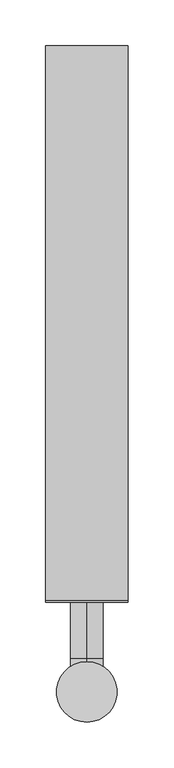
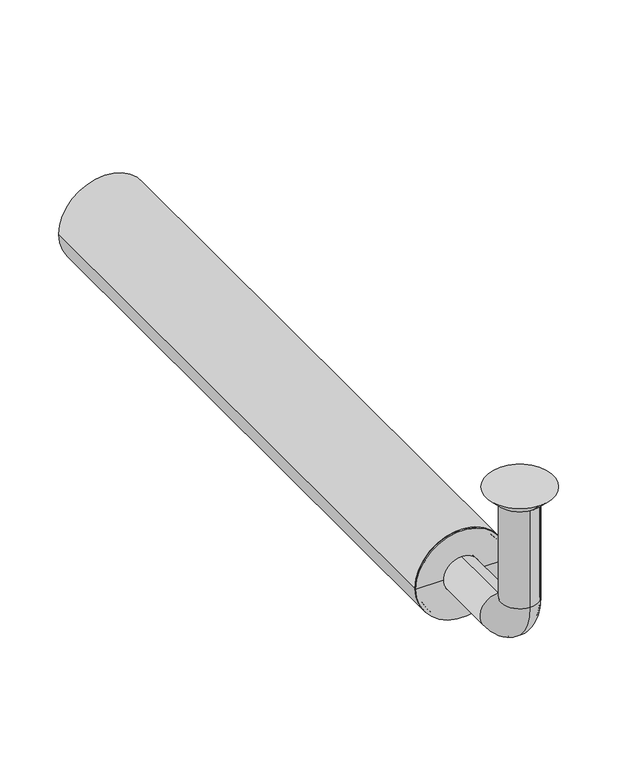
"""IFC4 building model written with IfcOpenShell, lengths in millimetres: beam geometry."""

from ifc_helpers import new_model, si_unit, point, frame, frame_2d, origin, place, context, project, spatial, polyline, circle_curve, ellipse_curve, trimmed, segment, composite_curve, outline, extrude, source, transform, mapped, element, save
from ifc_brep_helpers import plane_surface, cylinder_surface, revolved_surface, advanced_brep


def beam_f0ced41f(model_context):
    return source(origin(), model_context, "Body", "SolidModel", [
        extrude(outline(composite_curve([segment(trimmed(circle_curve(frame_2d((-150.0, 0.0)), 45.0), [point((-150.0, 45.0))], [point((-150.0, -45.0))], False, "CARTESIAN"), True, "CONTINUOUS"), segment(trimmed(circle_curve(frame_2d((-150.0, 0.0)), 45.0), [point((-150.0, -45.0))], [point((-150.0, 45.0))], False, "CARTESIAN"), True, "CONTINUOUS")], self_intersect=False), holes=[composite_curve([segment(trimmed(circle_curve(frame_2d((-150.0, 0.0)), 42.0), [point((-150.0, 42.0))], [point((-150.0, -42.0))], True, "CARTESIAN"), True, "CONTINUOUS"), segment(trimmed(circle_curve(frame_2d((-150.0, 0.0)), 42.0), [point((-150.0, -42.0))], [point((-150.0, 42.0))], True, "CARTESIAN"), True, "CONTINUOUS")], self_intersect=False)]), frame((0.0, 100.0, 0.0), z_axis=(0.0, 1.0, 0.0), x_axis=(0.0, 0.0, 1.0)), (0.0, 0.0, 1.0), 605.0),
        advanced_brep(
        [(0.0, -18.0, -10.0), (0.0, 18.0, -10.0), (0.0, -17.0, -10.0), (0.0, 17.0, -10.0), (0.0, -18.0, -114.0), (0.0, 18.0, -114.0), (0.0, -17.0, -114.0), (0.0, 17.0, -114.0), (0.0, 36.0, -132.0), (0.0, 36.0, -168.0), (0.0, 36.0, -133.0), (0.0, 36.0, -167.0), (0.0, 123.0, -168.0), (0.0, 123.0, -132.0), (0.0, 123.0, -167.0), (0.0, 123.0, -133.0)],
        [
            (0, 1, circle_curve(frame((0.0, 0.0, -10.0), z_axis=(0.0, 0.0, 1.0), x_axis=(0.0, 1.0, 0.0)), 18.0)),
            (1, 0, circle_curve(frame((0.0, 0.0, -10.0), z_axis=(0.0, 0.0, 1.0), x_axis=(0.0, 1.0, 0.0)), 18.0)),
            (2, 3, circle_curve(frame((0.0, 0.0, -10.0), z_axis=(0.0, 0.0, -1.0), x_axis=(0.0, 1.0, 0.0)), 17.0)),
            (3, 2, circle_curve(frame((0.0, 0.0, -10.0), z_axis=(0.0, 0.0, -1.0), x_axis=(0.0, 1.0, 0.0)), 17.0)),
            (0, 4),
            (4, 5, circle_curve(frame((0.0, 0.0, -114.0), z_axis=(0.0, 0.0, 1.0), x_axis=(0.0, 1.0, 0.0)), 18.0)),
            (5, 1),
            (5, 4, circle_curve(frame((0.0, 0.0, -114.0), z_axis=(0.0, 0.0, 1.0), x_axis=(0.0, 1.0, 0.0)), 18.0)),
            (2, 6),
            (6, 7, circle_curve(frame((0.0, 0.0, -114.0), z_axis=(0.0, 0.0, -1.0), x_axis=(0.0, 1.0, 0.0)), 17.0)),
            (7, 3),
            (7, 6, circle_curve(frame((0.0, 0.0, -114.0), z_axis=(0.0, 0.0, -1.0), x_axis=(0.0, 1.0, 0.0)), 17.0)),
            (8, 5, circle_curve(frame((0.0, 36.0, -114.0), z_axis=(-1.0, 0.0, 0.0), x_axis=(0.0, -1.0, 0.0)), 18.0)),
            (4, 9, circle_curve(frame((0.0, 36.0, -114.0), z_axis=(1.0, 0.0, 0.0), x_axis=(0.0, -1.0, 0.0)), 54.0)),
            (9, 8, circle_curve(frame((0.0, 36.0, -150.0), z_axis=(0.0, -1.0, 0.0), x_axis=(0.0, 0.0, 1.0)), 18.0)),
            (8, 9, circle_curve(frame((0.0, 36.0, -150.0), z_axis=(0.0, -1.0, 0.0), x_axis=(0.0, 0.0, 1.0)), 18.0)),
            (10, 7, circle_curve(frame((0.0, 36.0, -114.0), z_axis=(-1.0, 0.0, 0.0), x_axis=(0.0, -1.0, 0.0)), 19.0)),
            (6, 11, circle_curve(frame((0.0, 36.0, -114.0), z_axis=(1.0, 0.0, 0.0), x_axis=(0.0, -1.0, 0.0)), 53.0)),
            (11, 10, circle_curve(frame((0.0, 36.0, -150.0), z_axis=(0.0, 1.0, 0.0), x_axis=(0.0, 0.0, 1.0)), 17.0)),
            (10, 11, circle_curve(frame((0.0, 36.0, -150.0), z_axis=(0.0, 1.0, 0.0), x_axis=(0.0, 0.0, 1.0)), 17.0)),
            (12, 13, circle_curve(frame((0.0, 123.0, -150.0), z_axis=(0.0, 1.0, 0.0), x_axis=(0.0, 0.0, 1.0)), 18.0)),
            (13, 12, circle_curve(frame((0.0, 123.0, -150.0), z_axis=(0.0, 1.0, 0.0), x_axis=(0.0, 0.0, 1.0)), 18.0)),
            (14, 15, circle_curve(frame((0.0, 123.0, -150.0), z_axis=(0.0, -1.0, 0.0), x_axis=(0.0, 0.0, 1.0)), 17.0)),
            (15, 14, circle_curve(frame((0.0, 123.0, -150.0), z_axis=(0.0, -1.0, 0.0), x_axis=(0.0, 0.0, 1.0)), 17.0)),
            (9, 12),
            (13, 8),
            (11, 14),
            (15, 10),
        ],
        [
            plane_surface(frame((0.0, 0.0, -10.0), z_axis=(0.0, 0.0, 1.0), x_axis=(1.0, 0.0, 0.0))),
            cylinder_surface(frame((0.0, 0.0, -10.0), z_axis=(0.0, 0.0, 1.0), x_axis=(0.0, 1.0, 0.0)), 18.0),
            revolved_surface(polyline([(0.0, 17.0, -114.0), (0.0, 17.0, -10.0)]), (0.0, 0.0, -10.0), (0.0, 0.0, -1.0)),
            revolved_surface(trimmed(ellipse_curve(frame((0.0, 0.0, -114.0), z_axis=(0.0, 0.0, 1.0), x_axis=(0.0, 1.0, 0.0)), 18.0, 18.0), [point((0.0, -18.0, -114.0))], [point((0.0, 18.0, -114.0))], True, "CARTESIAN"), (0.0, 36.0, -114.0), (1.0, 0.0, 0.0)),
            revolved_surface(trimmed(ellipse_curve(frame((0.0, 0.0, -114.0), z_axis=(0.0, 0.0, 1.0), x_axis=(0.0, 1.0, 0.0)), 18.0, 18.0), [point((0.0, 18.0, -114.0))], [point((0.0, -18.0, -114.0))], True, "CARTESIAN"), (0.0, 36.0, -114.0), (1.0, 0.0, 0.0)),
            revolved_surface(trimmed(ellipse_curve(frame((0.0, 0.0, -114.0), z_axis=(0.0, 0.0, -1.0), x_axis=(0.0, 1.0, 0.0)), 17.0, 17.0), [point((0.0, -17.0, -114.0))], [point((0.0, 17.0, -114.0))], True, "CARTESIAN"), (0.0, 36.0, -114.0), (1.0, 0.0, 0.0)),
            revolved_surface(trimmed(ellipse_curve(frame((0.0, 0.0, -114.0), z_axis=(0.0, 0.0, -1.0), x_axis=(0.0, 1.0, 0.0)), 17.0, 17.0), [point((0.0, 17.0, -114.0))], [point((0.0, -17.0, -114.0))], True, "CARTESIAN"), (0.0, 36.0, -114.0), (1.0, 0.0, 0.0)),
            plane_surface(frame((0.0, 123.0, -150.0), z_axis=(0.0, 1.0, 0.0), x_axis=(1.0, 0.0, 0.0))),
            cylinder_surface(frame((0.0, 36.0, -150.0), z_axis=(0.0, -1.0, 0.0), x_axis=(0.0, 0.0, 1.0)), 18.0),
            revolved_surface(polyline([(0.0, 123.0, -133.0), (0.0, 36.0, -133.0)]), (0.0, 36.0, -150.0), (0.0, 1.0, 0.0)),
        ],
        [
            (0, [[1, 2], [3, 4]]),
            (1, [[-1, 5, 6, 7]]),
            (1, [[-2, -7, 8, -5]]),
            (2, [[-3, 9, 10, 11]]),
            (2, [[-4, -11, 12, -9]]),
            (3, [[13, -6, 14, 15]]),
            (4, [[-14, -8, -13, 16]]),
            (5, [[17, -10, 18, 19]]),
            (6, [[-18, -12, -17, 20]]),
            (7, [[21, 22], [23, 24]]),
            (8, [[-15, 25, -22, 26]]),
            (8, [[-16, -26, -21, -25]]),
            (9, [[-19, 27, -24, 28]]),
            (9, [[-20, -28, -23, -27]]),
        ],
    ),
        advanced_brep(
        [(0.0, 23.0, -10.0), (0.0, -23.0, -10.0), (0.0, 33.0, 0.0), (0.0, -33.0, 0.0)],
        [
            (0, 1, circle_curve(frame((0.0, 0.0, -10.0), z_axis=(0.0, 0.0, -1.0), x_axis=(0.0, 1.0, 0.0)), 23.0)),
            (1, 0, circle_curve(frame((0.0, 0.0, -10.0), z_axis=(0.0, 0.0, -1.0), x_axis=(0.0, -1.0, 0.0)), 23.0)),
            (2, 3, circle_curve(frame((0.0, 0.0, 0.0), z_axis=(0.0, 0.0, 1.0), x_axis=(0.0, -1.0, 0.0)), 33.0)),
            (3, 2, circle_curve(frame((0.0, 0.0, 0.0), z_axis=(0.0, 0.0, 1.0), x_axis=(0.0, 1.0, 0.0)), 33.0)),
            (3, 1),
            (0, 2),
        ],
        [
            plane_surface(frame((0.0, 0.0, -10.0), z_axis=(0.0, 0.0, -1.0), x_axis=(-1.0, 0.0, 0.0))),
            plane_surface(frame((0.0, 0.0, 0.0), z_axis=(0.0, 0.0, 1.0), x_axis=(-1.0, 0.0, 0.0))),
            revolved_surface(polyline([(0.0, 23.0, -10.0), (0.0, 33.0, 0.0)]), (0.0, 0.0, -33.0), (0.0, 0.0, 1.0)),
            revolved_surface(polyline([(0.0, -23.0, -10.0), (0.0, -33.0, 0.0)]), (0.0, 0.0, -33.0), (0.0, 0.0, 1.0)),
        ],
        [
            (0, [[1, 2]]),
            (1, [[3, 4]]),
            (2, [[-4, 5, -1, 6]]),
            (3, [[-3, -6, -2, -5]]),
        ],
    ),
        advanced_brep(
        [(42.0, 100.0, -150.0), (-42.0, 100.0, -150.0), (-42.0, 123.0, -150.0), (42.0, 123.0, -150.0), (-18.0, 123.0, -150.0), (18.0, 123.0, -150.0), (-18.0, 98.0, -150.0), (18.0, 98.0, -150.0), (-45.0, 98.0, -150.0), (45.0, 98.0, -150.0), (-45.0, 100.0, -150.0), (45.0, 100.0, -150.0)],
        [
            (0, 1, circle_curve(frame((0.0, 100.0, -150.0), z_axis=(0.0, 1.0, 0.0), x_axis=(-1.0, 0.0, 0.0)), 42.0)),
            (1, 2),
            (2, 3, circle_curve(frame((0.0, 123.0, -150.0), z_axis=(0.0, -1.0, 0.0), x_axis=(-1.0, 0.0, 0.0)), 42.0)),
            (3, 0),
            (1, 0, circle_curve(frame((0.0, 100.0, -150.0), z_axis=(0.0, 1.0, 0.0), x_axis=(-1.0, 0.0, 0.0)), 42.0)),
            (3, 2, circle_curve(frame((0.0, 123.0, -150.0), z_axis=(0.0, -1.0, 0.0), x_axis=(-1.0, 0.0, 0.0)), 42.0)),
            (2, 4),
            (4, 5, circle_curve(frame((0.0, 123.0, -150.0), z_axis=(0.0, -1.0, 0.0), x_axis=(-1.0, 0.0, 0.0)), 18.0)),
            (5, 3),
            (5, 4, circle_curve(frame((0.0, 123.0, -150.0), z_axis=(0.0, -1.0, 0.0), x_axis=(-1.0, 0.0, 0.0)), 18.0)),
            (4, 6),
            (6, 7, circle_curve(frame((0.0, 98.0, -150.0), z_axis=(0.0, -1.0, 0.0), x_axis=(-1.0, 0.0, 0.0)), 18.0)),
            (7, 5),
            (7, 6, circle_curve(frame((0.0, 98.0, -150.0), z_axis=(0.0, -1.0, 0.0), x_axis=(-1.0, 0.0, 0.0)), 18.0)),
            (6, 8),
            (8, 9, circle_curve(frame((0.0, 98.0, -150.0), z_axis=(0.0, -1.0, 0.0), x_axis=(-1.0, 0.0, 0.0)), 45.0)),
            (9, 7),
            (9, 8, circle_curve(frame((0.0, 98.0, -150.0), z_axis=(0.0, -1.0, 0.0), x_axis=(-1.0, 0.0, 0.0)), 45.0)),
            (8, 10),
            (10, 11, circle_curve(frame((0.0, 100.0, -150.0), z_axis=(0.0, -1.0, 0.0), x_axis=(-1.0, 0.0, 0.0)), 45.0)),
            (11, 9),
            (11, 10, circle_curve(frame((0.0, 100.0, -150.0), z_axis=(0.0, -1.0, 0.0), x_axis=(-1.0, 0.0, 0.0)), 45.0)),
            (10, 1),
            (0, 11),
        ],
        [
            cylinder_surface(frame((0.0, 98.0, -150.0), z_axis=(0.0, -1.0, 0.0), x_axis=(-1.0, 0.0, 0.0)), 42.0),
            plane_surface(frame((0.0, 123.0, -150.0), z_axis=(0.0, 1.0, 0.0), x_axis=(-1.0, 0.0, 0.0))),
            revolved_surface(polyline([(-18.0, 98.0, -150.0), (-18.0, 123.0, -150.0)]), (0.0, 98.0, -150.0), (0.0, -1.0, 0.0)),
            plane_surface(frame((0.0, 98.0, -150.0), z_axis=(0.0, -1.0, 0.0), x_axis=(-1.0, 0.0, 0.0))),
            cylinder_surface(frame((0.0, 98.0, -150.0), z_axis=(0.0, -1.0, 0.0), x_axis=(-1.0, 0.0, 0.0)), 45.0),
            plane_surface(frame((0.0, 100.0, -150.0), z_axis=(0.0, 1.0, 0.0), x_axis=(-1.0, 0.0, 0.0))),
        ],
        [
            (0, [[1, 2, 3, 4]]),
            (0, [[5, -4, 6, -2]]),
            (1, [[-3, 7, 8, 9]]),
            (1, [[-6, -9, 10, -7]]),
            (2, [[-8, 11, 12, 13]]),
            (2, [[-10, -13, 14, -11]]),
            (3, [[-12, 15, 16, 17]]),
            (3, [[-14, -17, 18, -15]]),
            (4, [[-16, 19, 20, 21]]),
            (4, [[-18, -21, 22, -19]]),
            (5, [[-20, 23, -1, 24]]),
            (5, [[-22, -24, -5, -23]]),
        ],
    ),
    ])


if __name__ == "__main__":
    model = new_model("IFC4")
    model_context = context("Model", 3, world=origin())
    ifc_project = project(units=[si_unit("LENGTHUNIT", "METRE", prefix="MILLI")], contexts=[model_context])
    site = spatial("IfcSite", under=ifc_project)
    building = spatial("IfcBuilding", under=site)
    placement = place(None, origin())
    beam_shape = beam_f0ced41f(model_context)
    element("IfcBeam", 1, at=placement, inside=building, context=model_context, shape_type="MappedRepresentation", body=[
        mapped(beam_shape, transform((0.0, 0.0, 0.0), x_axis=(1.0, 0.0, 0.0), y_axis=(0.0, 1.0, 0.0), z_axis=(0.0, 0.0, 1.0))),
    ])
    save(model, "model.ifc")
